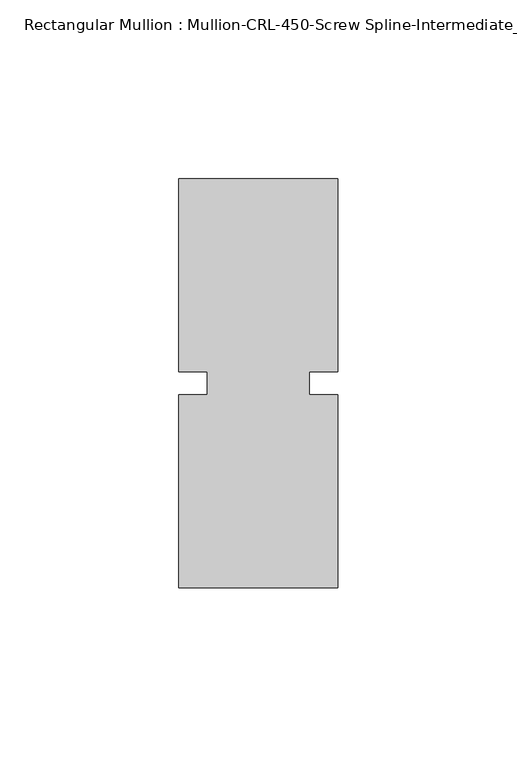
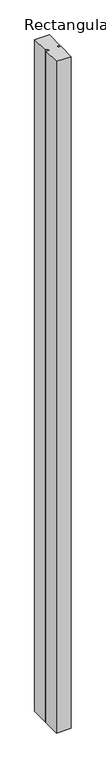
"""IFC4 building model written with IfcOpenShell, lengths in millimetres: member geometry, Rectangular Mullion : Mullion-CRL-450-Screw Spline-Intermediate_Vertical."""

import ifcopenshell
import ifcopenshell.guid

model = None  # the IFC model being written
_history = None  # IfcOwnerHistory: only IFC2X3 demands one
_inside = {}  # id of a spatial element -> (the spatial element, [elements in it])
_under = {}  # id of a project, library or spatial element -> (it, [spatial elements below it])
_declared = {}  # id of a project -> (the project, [libraries it declares])
_typed = {}  # id of a type object -> (the type object, [elements of that type])
_made_of = {}  # id of a material, layer set ... -> (it, [elements and type objects made of it])


def new_model(schema):
    """Start an empty IFC model of exactly this schema.

    Asked for "IFC4X3", IfcOpenShell would pick the latest addendum, in which some entities
    have other attributes; the version numbers below select the first issue.
    IFC2X3 requires an IfcOwnerHistory on every rooted entity: one is made here for all.
    """
    global model, _history
    if schema == "IFC4X3":
        model = ifcopenshell.file(schema_version=(4, 3, 0, 0))
    else:
        model = ifcopenshell.file(schema=schema)
    _inside.clear()
    _under.clear()
    _declared.clear()
    _typed.clear()
    _made_of.clear()
    _history = None
    if model.schema == "IFC2X3":
        org = make("IfcOrganization", Name="unknown")
        user = make(
            "IfcPersonAndOrganization",
            ThePerson=make("IfcPerson", FamilyName="unknown"),
            TheOrganization=org,
        )
        app = make(
            "IfcApplication",
            ApplicationDeveloper=org,
            Version="unknown",
            ApplicationFullName="unknown",
            ApplicationIdentifier="unknown",
        )
        _history = make(
            "IfcOwnerHistory",
            OwningUser=user,
            OwningApplication=app,
            ChangeAction="ADDED",
            CreationDate=0,
        )
    return model


def make(cls, **values):
    """One entity of the class cls with the attributes given. An attribute that is None is left unset."""
    return model.create_entity(
        cls, **{name: value for name, value in values.items() if value is not None}
    )


def rooted(cls, **values):
    """An entity with a GlobalId (a new one), such as an element, a storey or a relation."""
    return make(cls, GlobalId=ifcopenshell.guid.new(), OwnerHistory=_history, **values)


def si_unit(unit_type, name, prefix=None):
    """IfcSIUnit, for example si_unit("LENGTHUNIT", "METRE", prefix="MILLI")."""
    return make("IfcSIUnit", UnitType=unit_type, Prefix=prefix, Name=name)


def assignment(units):
    """IfcUnitAssignment: the units of a project."""
    return None if units is None else make("IfcUnitAssignment", Units=units)


def point(xyz):
    """IfcCartesianPoint."""
    return None if xyz is None else make("IfcCartesianPoint", Coordinates=xyz)


def direction(xyz):
    """IfcDirection."""
    return None if xyz is None else make("IfcDirection", DirectionRatios=xyz)


def frame(location, z_axis=None, x_axis=None):
    """IfcAxis2Placement3D, a coordinate frame: its origin and axes. An axis left out is left unset."""
    return make(
        "IfcAxis2Placement3D",
        Location=point(location),
        Axis=direction(z_axis),
        RefDirection=direction(x_axis),
    )


def origin():
    """The frame at (0, 0, 0) with its axes left unset."""
    return frame((0.0, 0.0, 0.0))


def place(relative_to, where):
    """IfcLocalPlacement: puts the frame where relative to a parent placement (None: the world)."""
    return make(
        "IfcLocalPlacement", PlacementRelTo=relative_to, RelativePlacement=where
    )


def context(
    kind, dimensions, precision=None, world=None, true_north=None, identifier=None
):
    """IfcGeometricRepresentationContext, for example the 3D "Model" context."""
    return make(
        "IfcGeometricRepresentationContext",
        ContextIdentifier=identifier,
        ContextType=kind,
        CoordinateSpaceDimension=dimensions,
        Precision=precision,
        WorldCoordinateSystem=world,
        TrueNorth=true_north,
    )


def project(units=None, contexts=None):
    """IfcProject with its units and contexts."""
    return rooted(
        "IfcProject",
        Name="project",
        RepresentationContexts=contexts,
        UnitsInContext=assignment(units),
    )


def spatial(cls, under=None, at=None, **own):
    """A site, building, storey or space (cls), placed at a placement, below another one or the project."""
    s = rooted(cls, ObjectPlacement=at, **own)
    if under is not None:
        _under.setdefault(under.id(), (under, []))[1].append(s)
    return s


def polyline(points):
    """IfcPolyline through the points."""
    return make("IfcPolyline", Points=[point(p) for p in points])


def outline(outer, holes=None, kind="AREA"):
    """IfcArbitraryClosedProfileDef: a profile drawn as a closed curve; with holes, ...WithVoids."""
    if holes is None:
        return make("IfcArbitraryClosedProfileDef", ProfileType=kind, OuterCurve=outer)
    return make(
        "IfcArbitraryProfileDefWithVoids",
        ProfileType=kind,
        OuterCurve=outer,
        InnerCurves=holes,
    )


def extrude(swept, where, along, depth):
    """IfcExtrudedAreaSolid: the profile swept, set in the frame where, extruded along a direction by depth."""
    return make(
        "IfcExtrudedAreaSolid",
        SweptArea=swept,
        Position=where,
        ExtrudedDirection=direction(along),
        Depth=depth,
    )


def shape(context_of_items, identifier, shape_type, items):
    """IfcShapeRepresentation: the items that make up one representation, for example the "Body"."""
    return make(
        "IfcShapeRepresentation",
        ContextOfItems=context_of_items,
        RepresentationIdentifier=identifier,
        RepresentationType=shape_type,
        Items=items,
    )


def source(mapping_origin, context_of_items, identifier, shape_type, items):
    """IfcRepresentationMap: a shape defined once, which mapped items show again and again."""
    return make(
        "IfcRepresentationMap",
        MappingOrigin=mapping_origin,
        MappedRepresentation=shape(context_of_items, identifier, shape_type, items),
    )


def transform(
    local_origin,
    x_axis=None,
    y_axis=None,
    z_axis=None,
    scale=None,
    scale2=None,
    scale3=None,
    uniform=True,
):
    """IfcCartesianTransformationOperator3D, or its non-uniform kind. x_axis, y_axis, z_axis: its Axis1, 2, 3."""
    if uniform:
        return make(
            "IfcCartesianTransformationOperator3D",
            Axis1=direction(x_axis),
            Axis2=direction(y_axis),
            LocalOrigin=point(local_origin),
            Scale=scale,
            Axis3=direction(z_axis),
        )
    return make(
        "IfcCartesianTransformationOperator3DnonUniform",
        Axis1=direction(x_axis),
        Axis2=direction(y_axis),
        LocalOrigin=point(local_origin),
        Scale=scale,
        Axis3=direction(z_axis),
        Scale2=scale2,
        Scale3=scale3,
    )


def mapped(mapping_source, mapping_target):
    """IfcMappedItem: shows the shape of a source again, moved by a transform."""
    return make(
        "IfcMappedItem", MappingSource=mapping_source, MappingTarget=mapping_target
    )


def made_of(thing, what):
    """Note that an element or type object is made of a material, layer set ...; save() writes the relation."""
    if what is not None:
        _made_of.setdefault(what.id(), (what, []))[1].append(thing)
    return thing


def element(
    cls,
    number,
    at=None,
    inside=None,
    cuts=None,
    type_object=None,
    material=None,
    context=None,
    identifier="Body",
    shape_type=None,
    held_by="IfcProductDefinitionShape",
    body=None,
    shapes=None,
    **own,
):
    """One element of the class cls, such as IfcWall. Its Tag is "e" and its number.

    at: its placement. inside: the storey or other place that contains it. cuts: it is an
    opening in that element (IfcRelVoidsElement). A single representation is given by context,
    identifier, shape_type and body (its items); several are given by shapes. held_by: the class
    of the entity that holds the representations. save() writes the other relations.
    """
    e = rooted(cls, Tag="e%d" % number, ObjectPlacement=at, **own)
    if body is not None:
        shapes = [shape(context, identifier, shape_type, body)]
    if shapes is not None:
        e.Representation = make(held_by, Representations=shapes)
    if inside is not None:
        _inside.setdefault(inside.id(), (inside, []))[1].append(e)
    if cuts is not None:
        rooted(
            "IfcRelVoidsElement", RelatingBuildingElement=cuts, RelatedOpeningElement=e
        )
    if type_object is not None:
        _typed.setdefault(type_object.id(), (type_object, []))[1].append(e)
    return made_of(e, material)


def aggregate(whole, parts):
    """IfcRelAggregates: a whole, such as a stair, and the parts it consists of."""
    return rooted("IfcRelAggregates", RelatingObject=whole, RelatedObjects=parts)


def save(model, path):
    """Write the relations noted so far, then the file.

    IfcRelAggregates (storeys below a building ...), IfcRelContainedInSpatialStructure (elements
    in a storey), IfcRelDefinesByType, IfcRelAssociatesMaterial and IfcRelDeclares: one each for
    every whole, place, type object, material and project.
    """
    for whole, parts in _under.values():
        aggregate(whole, parts)
    for where, things in _inside.values():
        rooted(
            "IfcRelContainedInSpatialStructure",
            RelatedElements=things,
            RelatingStructure=where,
        )
    for kind, things in _typed.values():
        rooted("IfcRelDefinesByType", RelatedObjects=things, RelatingType=kind)
    for what, things in _made_of.values():
        rooted("IfcRelAssociatesMaterial", RelatedObjects=things, RelatingMaterial=what)
    for by, libraries in _declared.values():
        rooted("IfcRelDeclares", RelatingContext=by, RelatedDefinitions=libraries)
    model.write(path)


def rectangular_mullion_mullion_crl_450_screw_spline_b7a9d36f(model_context):
    return source(origin(), model_context, "Body", "SweptSolid", [
        extrude(outline(polyline([(-22.2250071, -3.175), (-14.2875071, -3.175), (-14.2875071, 3.175), (-22.2250071, 3.175), (-22.2250071, 57.15), (22.2250071, 57.15), (22.2250071, 3.175), (14.2875071, 3.175), (14.2875071, -3.175), (22.2250071, -3.175), (22.2250071, -57.15), (-22.2250071, -57.15), (-22.2250071, -3.175)])), frame((0.0, 0.0, -2149.475), z_axis=(0.0, 0.0, 1.0), x_axis=(1.0, 0.0, 0.0)), (0.0, 0.0, 1.0), 2149.475),
    ])


if __name__ == "__main__":
    model = new_model("IFC4")
    model_context = context("Model", 3, world=origin())
    ifc_project = project(units=[si_unit("LENGTHUNIT", "METRE", prefix="MILLI")], contexts=[model_context])
    site = spatial("IfcSite", under=ifc_project)
    building = spatial("IfcBuilding", under=site)
    placement = place(None, origin())
    rectangular_mullion_mullion_crl_450_screw_spline_shape = rectangular_mullion_mullion_crl_450_screw_spline_b7a9d36f(model_context)
    element("IfcMember", 1, ObjectType="Rectangular Mullion : Mullion-CRL-450-Screw Spline-Intermediate_Vertical", at=placement, inside=building, context=model_context, shape_type="MappedRepresentation", body=[
        mapped(rectangular_mullion_mullion_crl_450_screw_spline_shape, transform((0.0, 0.0, 0.0), x_axis=(1.0, 0.0, 0.0), y_axis=(0.0, 1.0, 0.0), z_axis=(0.0, 0.0, 1.0))),
    ])
    save(model, "model.ifc")
